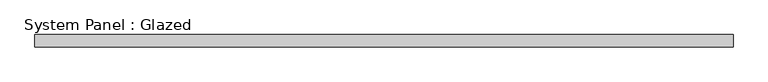
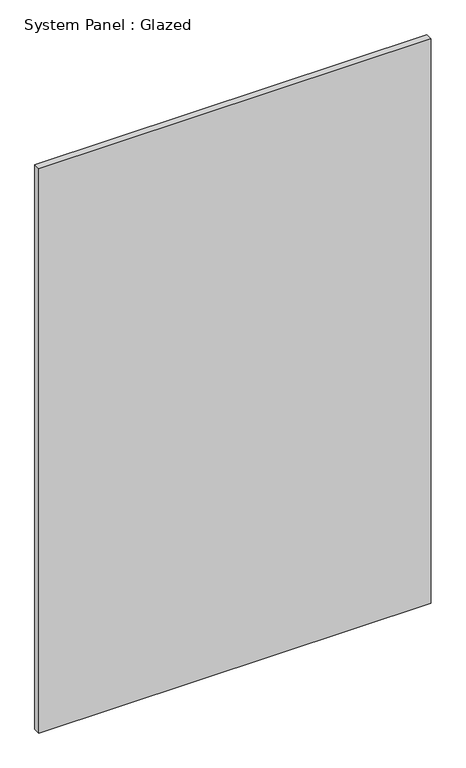
"""IFC4 building model written with IfcOpenShell, lengths in millimetres: plate geometry, System Panel : Glazed."""

from ifc_helpers import new_model, si_unit, origin, origin_with_axes, place, context, project, spatial, polyline, outline, extrude, source, transform, mapped, element, save


def system_panel_glazed_28eb88be(model_context):
    return source(origin(), model_context, "Body", "SweptSolid", [
        extrude(outline(polyline([(707.5, 24.5), (-707.5, 24.5), (-707.5, 49.5), (707.5, 49.5), (707.5, 24.5)])), origin_with_axes(), (0.0, 0.0, 1.0), 2150.0),
    ])


if __name__ == "__main__":
    model = new_model("IFC4")
    model_context = context("Model", 3, world=origin())
    ifc_project = project(units=[si_unit("LENGTHUNIT", "METRE", prefix="MILLI")], contexts=[model_context])
    site = spatial("IfcSite", under=ifc_project)
    building = spatial("IfcBuilding", under=site)
    placement = place(None, origin())
    system_panel_glazed_shape = system_panel_glazed_28eb88be(model_context)
    element("IfcPlate", 1, ObjectType="System Panel : Glazed", at=placement, inside=building, context=model_context, shape_type="MappedRepresentation", body=[
        mapped(system_panel_glazed_shape, transform((0.0, 0.0, 0.0), x_axis=(1.0, 0.0, 0.0), y_axis=(0.0, 1.0, 0.0), z_axis=(0.0, 0.0, 1.0))),
    ])
    save(model, "model.ifc")
